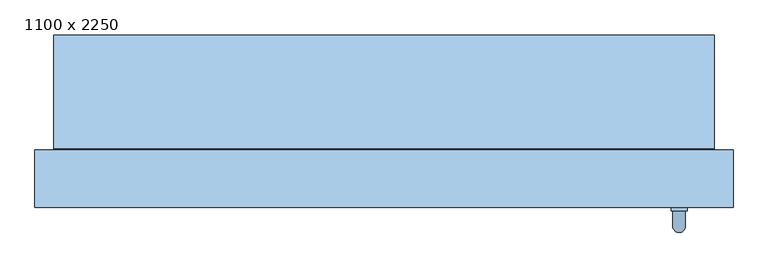
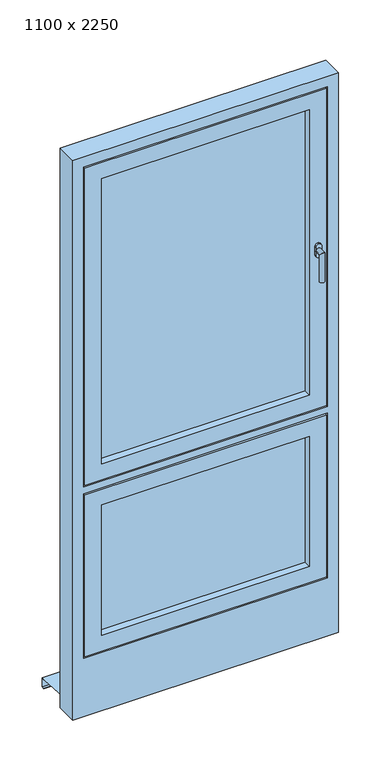
"""IFC4 building model written with IfcOpenShell, lengths in millimetres: window geometry, 1100 x 2250."""

from ifc_helpers import new_model, si_unit, frame, origin, place, context, project, spatial, polyline, circle_curve, ellipse_curve, outline, extrude, faceted_brep, source, transform, mapped, element, save
from ifc_brep_helpers import plane_surface, cylinder_surface, advanced_brep


def window_1100_x_2250_c4bfb064(model_context):
    return source(origin(), model_context, "Body", "SolidModel", [
        faceted_brep([(430.0, -50.0, 700.0), (430.0, 40.0, 700.0), (430.0, 40.0, 130.0), (430.0, -50.0, 130.0), (460.0, 40.0, 100.0), (-460.0, 40.0, 100.0), (-460.0, 40.0, 730.0), (460.0, 40.0, 730.0), (-430.0, 40.0, 700.0), (-430.0, 40.0, 130.0), (-430.0, -50.0, 130.0), (500.0, -50.0, 770.0), (-500.0, -50.0, 770.0), (-500.0, -50.0, 60.0), (500.0, -50.0, 60.0), (-430.0, -50.0, 700.0), (500.0, -35.0, 770.0), (500.0, -35.0, 60.0), (-500.0, -35.0, 60.0), (-500.0, -35.0, 770.0), (485.0, -35.0, 755.0), (-485.0, -35.0, 755.0), (-485.0, -35.0, 75.0), (485.0, -35.0, 75.0), (485.0, -5.0, 755.0), (485.0, -5.0, 75.0), (-485.0, -5.0, 75.0), (-485.0, -5.0, 755.0), (475.0, -5.0, 745.0), (-475.0, -5.0, 745.0), (-475.0, -5.0, 85.0), (475.0, -5.0, 85.0), (475.0, 25.0, 745.0), (475.0, 25.0, 85.0), (-475.0, 25.0, 85.0), (-475.0, 25.0, 745.0), (460.0, 25.0, 730.0), (-460.0, 25.0, 730.0), (-460.0, 25.0, 100.0), (460.0, 25.0, 100.0)], [[[0, 1, 2, 3]], [[4, 5, 6, 7], [1, 8, 9, 2]], [[3, 2, 9, 10]], [[11, 12, 13, 14], [3, 10, 15, 0]], [[16, 11, 14, 17]], [[17, 14, 13, 18]], [[17, 18, 19, 16], [20, 21, 22, 23]], [[24, 20, 23, 25]], [[25, 23, 22, 26]], [[25, 26, 27, 24], [28, 29, 30, 31]], [[32, 28, 31, 33]], [[33, 31, 30, 34]], [[33, 34, 35, 32], [36, 37, 38, 39]], [[7, 36, 39, 4]], [[4, 39, 38, 5]], [[10, 9, 8, 15]], [[18, 13, 12, 19]], [[26, 22, 21, 27]], [[34, 30, 29, 35]], [[5, 38, 37, 6]], [[15, 8, 1, 0]], [[19, 12, 11, 16]], [[27, 21, 20, 24]], [[35, 29, 28, 32]], [[6, 37, 36, 7]]]),
        extrude(outline(polyline([(430.0, 25.0), (430.0, -19.0), (-430.0, -19.0), (-430.0, 25.0), (430.0, 25.0)])), frame((0.0, 0.0, 130.0), z_axis=(0.0, 0.0, 1.0), x_axis=(1.0, 0.0, 0.0)), (0.0, 0.0, 1.0), 570.0),
        faceted_brep([(-520.0, 222.0, -189.3747566), (-520.0, 200.0, -187.9997566), (-520.0, 42.0, -178.1247566), (520.0, 42.0, -178.1247566), (520.0, 200.0, -187.9997566), (520.0, 222.0, -189.3747566), (-520.0, 222.0, -229.3747566), (520.0, 222.0, -229.3747566), (-520.0, 210.0, -229.3747566), (520.0, 210.0, -229.3747566), (-520.0, 210.0, -227.3747566), (520.0, 210.0, -227.3747566), (-520.0, 220.0, -227.3747566), (520.0, 220.0, -227.3747566), (-520.0, 220.0, -191.25), (520.0, 220.0, -191.25), (-520.0, 200.0, -190.0), (520.0, 200.0, -190.0), (520.0, 40.0, -180.0), (-520.0, 40.0, -180.0), (-520.0, 40.0, -160.0), (520.0, 40.0, -160.0), (-520.0, 42.0, -160.0), (520.0, 42.0, -160.0)], [[[0, 1, 2, 3, 4, 5]], [[6, 0, 5, 7]], [[8, 6, 7, 9]], [[10, 8, 9, 11]], [[12, 10, 11, 13]], [[14, 12, 13, 15]], [[16, 14, 15, 17, 18, 19]], [[20, 19, 18, 21]], [[22, 20, 21, 23]], [[2, 22, 23, 3]], [[16, 1, 0, 6, 8, 10, 12, 14]], [[17, 4, 3, 23, 21, 18]], [[1, 16, 19, 20, 22, 2]], [[4, 17, 15, 13, 11, 9, 7, 5]]]),
        advanced_brep(
        [(477.5, -50.0, 1522.5), (477.5, -50.0, 1505.0), (477.5, -50.0, 1487.5), (452.5, -50.0, 1487.5), (452.5, -50.0, 1505.0), (452.5, -50.0, 1522.5), (455.0, -80.0, 1505.0), (475.0, -80.0, 1505.0), (475.0, -56.0, 1505.0), (455.0, -56.0, 1505.0), (455.0, -80.0, 1385.0), (475.0, -80.0, 1385.0), (477.5, -56.0, 1522.5), (452.5, -56.0, 1522.5), (452.5, -56.0, 1505.0), (452.5, -56.0, 1487.5), (477.5, -56.0, 1487.5), (477.5, -56.0, 1505.0)],
        [
            (0, 1),
            (1, 2),
            (2, 3, circle_curve(frame((465.0, -50.0, 1487.5), z_axis=(0.0, 1.0, 0.0), x_axis=(1.0, 0.0, 0.0)), 12.5)),
            (3, 4),
            (4, 5),
            (5, 0, circle_curve(frame((465.0, -50.0, 1522.5), z_axis=(0.0, 1.0, 0.0), x_axis=(1.0, 0.0, 0.0)), 12.5)),
            (6, 7, ellipse_curve(frame((465.0, -80.0, 1505.0), z_axis=(0.0, 0.7071067811865498, 0.7071067811865451), x_axis=(0.0, 0.7071067811865452, -0.7071067811865497)), 14.1421356, 10.0)),
            (7, 8),
            (8, 9, circle_curve(frame((465.0, -56.0, 1505.0), z_axis=(0.0, -1.0, 0.0), x_axis=(1.0, 0.0, 0.0)), 10.0)),
            (9, 6),
            (7, 6, ellipse_curve(frame((465.0, -80.0, 1505.0), z_axis=(0.0, 0.7071067811865498, 0.7071067811865451), x_axis=(0.0, 0.7071067811865452, -0.7071067811865497)), 14.1421356, 10.0)),
            (9, 8, circle_curve(frame((465.0, -56.0, 1505.0), z_axis=(0.0, -1.0, 0.0), x_axis=(1.0, 0.0, 0.0)), 10.0)),
            (10, 11, circle_curve(frame((465.0, -80.0, 1385.0), z_axis=(0.0, 0.0, -1.0), x_axis=(1.0, 0.0, 0.0)), 10.0)),
            (11, 10, circle_curve(frame((465.0, -80.0, 1385.0), z_axis=(0.0, 0.0, -1.0), x_axis=(1.0, 0.0, 0.0)), 10.0)),
            (6, 10),
            (11, 7),
            (12, 13, circle_curve(frame((465.0, -56.0, 1522.5), z_axis=(0.0, -1.0, 0.0), x_axis=(1.0, 0.0, 0.0)), 12.5)),
            (13, 14),
            (14, 15),
            (15, 16, circle_curve(frame((465.0, -56.0, 1487.5), z_axis=(0.0, -1.0, 0.0), x_axis=(1.0, 0.0, 0.0)), 12.5)),
            (16, 17),
            (17, 12),
            (12, 0),
            (5, 13),
            (4, 14),
            (3, 15),
            (2, 16),
            (1, 17),
        ],
        [
            plane_surface(frame((465.0, -50.0, 1505.0), z_axis=(0.0, 1.0, 0.0), x_axis=(1.0, 0.0, 0.0))),
            cylinder_surface(frame((465.0, -50.0, 1505.0), z_axis=(0.0, 1.0, 0.0), x_axis=(1.0, 0.0, 0.0)), 10.0),
            plane_surface(frame((465.0, -80.0, 1385.0), z_axis=(0.0, 0.0, -1.0), x_axis=(1.0, 0.0, 0.0))),
            cylinder_surface(frame((465.0, -80.0, 1505.0), z_axis=(0.0, 0.0, 1.0), x_axis=(1.0, 0.0, 0.0)), 10.0),
            plane_surface(frame((477.5, -56.0, 1522.5), z_axis=(0.0, -1.0, 0.0), x_axis=(0.0, 0.0, 1.0))),
            cylinder_surface(frame((465.0, -50.0, 1522.5), z_axis=(0.0, -1.0, 0.0), x_axis=(1.0, 0.0, 0.0)), 12.5),
            plane_surface(frame((452.5, -56.0, 1522.5), z_axis=(-1.0, 0.0, 0.0), x_axis=(0.0, 1.0, 0.0))),
            plane_surface(frame((452.5, -56.0, 1505.0), z_axis=(-1.0, 0.0, 0.0), x_axis=(0.0, 1.0, 0.0))),
            cylinder_surface(frame((465.0, -50.0, 1487.5), z_axis=(0.0, -1.0, 0.0), x_axis=(1.0, 0.0, 0.0)), 12.5),
            plane_surface(frame((477.5, -56.0, 1487.5), z_axis=(1.0, 0.0, 0.0), x_axis=(0.0, 1.0, 0.0))),
            plane_surface(frame((477.5, -56.0, 1505.0), z_axis=(1.0, 0.0, 0.0), x_axis=(0.0, 1.0, 0.0))),
        ],
        [
            (0, [[1, 2, 3, 4, 5, 6]]),
            (1, [[7, 8, 9, 10]]),
            (1, [[11, -10, 12, -8]]),
            (2, [[13, 14]]),
            (3, [[-7, 15, -14, 16]]),
            (3, [[-11, -16, -13, -15]]),
            (4, [[17, 18, 19, 20, 21, 22], [-9, -12]]),
            (5, [[-17, 23, -6, 24]]),
            (6, [[-18, -24, -5, 25]]),
            (7, [[-19, -25, -4, 26]]),
            (8, [[-20, -26, -3, 27]]),
            (9, [[-21, -27, -2, 28]]),
            (10, [[-22, -28, -1, -23]]),
        ],
    ),
        faceted_brep([(430.0, -50.0, 2130.0), (430.0, 40.0, 2130.0), (430.0, 40.0, 880.0), (430.0, -50.0, 880.0), (460.0, 40.0, 850.0), (-460.0, 40.0, 850.0), (-460.0, 40.0, 2160.0), (460.0, 40.0, 2160.0), (-430.0, 40.0, 2130.0), (-430.0, 40.0, 880.0), (-430.0, -50.0, 880.0), (500.0, -50.0, 2200.0), (-500.0, -50.0, 2200.0), (-500.0, -50.0, 810.0), (500.0, -50.0, 810.0), (-430.0, -50.0, 2130.0), (500.0, -35.0, 2200.0), (500.0, -35.0, 810.0), (-500.0, -35.0, 810.0), (-500.0, -35.0, 2200.0), (485.0, -35.0, 2185.0), (-485.0, -35.0, 2185.0), (-485.0, -35.0, 825.0), (485.0, -35.0, 825.0), (485.0, -5.0, 2185.0), (485.0, -5.0, 825.0), (-485.0, -5.0, 825.0), (-485.0, -5.0, 2185.0), (475.0, -5.0, 2175.0), (-475.0, -5.0, 2175.0), (-475.0, -5.0, 835.0), (475.0, -5.0, 835.0), (475.0, 25.0, 2175.0), (475.0, 25.0, 835.0), (-475.0, 25.0, 835.0), (-475.0, 25.0, 2175.0), (460.0, 25.0, 2160.0), (-460.0, 25.0, 2160.0), (-460.0, 25.0, 850.0), (460.0, 25.0, 850.0)], [[[0, 1, 2, 3]], [[4, 5, 6, 7], [1, 8, 9, 2]], [[3, 2, 9, 10]], [[11, 12, 13, 14], [3, 10, 15, 0]], [[16, 11, 14, 17]], [[17, 14, 13, 18]], [[17, 18, 19, 16], [20, 21, 22, 23]], [[24, 20, 23, 25]], [[25, 23, 22, 26]], [[25, 26, 27, 24], [28, 29, 30, 31]], [[32, 28, 31, 33]], [[33, 31, 30, 34]], [[33, 34, 35, 32], [36, 37, 38, 39]], [[7, 36, 39, 4]], [[4, 39, 38, 5]], [[10, 9, 8, 15]], [[18, 13, 12, 19]], [[26, 22, 21, 27]], [[34, 30, 29, 35]], [[5, 38, 37, 6]], [[15, 8, 1, 0]], [[19, 12, 11, 16]], [[27, 21, 20, 24]], [[35, 29, 28, 32]], [[6, 37, 36, 7]]]),
        extrude(outline(polyline([(430.0, 25.0), (430.0, -19.0), (-430.0, -19.0), (-430.0, 25.0), (430.0, 25.0)])), frame((0.0, 0.0, 880.0), z_axis=(0.0, 0.0, 1.0), x_axis=(1.0, 0.0, 0.0)), (0.0, 0.0, 1.0), 1250.0),
        faceted_brep([(550.0, 40.0, -200.0), (550.0, -50.0, -200.0), (-550.0, -50.0, -200.0), (-550.0, 40.0, -200.0), (550.0, 40.0, 2250.0), (550.0, -50.0, 2250.0), (-550.0, -50.0, 2250.0), (505.0, -50.0, 2205.0), (505.0, -50.0, 805.0), (-505.0, -50.0, 805.0), (-505.0, -50.0, 2205.0), (505.0, -50.0, 775.0), (505.0, -50.0, 55.0), (-505.0, -50.0, 55.0), (-505.0, -50.0, 775.0), (-550.0, 40.0, 2250.0), (465.0, 40.0, 845.0), (465.0, 40.0, 2165.0), (-465.0, 40.0, 2165.0), (-465.0, 40.0, 845.0), (465.0, 40.0, 95.0), (465.0, 40.0, 735.0), (-465.0, 40.0, 735.0), (-465.0, 40.0, 95.0), (465.0, 25.0, 95.0), (465.0, 25.0, 735.0), (-465.0, 25.0, 735.0), (-465.0, 25.0, 95.0), (465.0, 25.0, 845.0), (465.0, 25.0, 2165.0), (-465.0, 25.0, 845.0), (-465.0, 25.0, 2165.0), (505.0, -35.0, 775.0), (505.0, -35.0, 55.0), (-505.0, -35.0, 55.0), (-505.0, -35.0, 775.0), (505.0, -35.0, 2205.0), (505.0, -35.0, 805.0), (-505.0, -35.0, 805.0), (-505.0, -35.0, 2205.0), (490.0, -35.0, 760.0), (490.0, -35.0, 70.0), (-490.0, -35.0, 70.0), (-490.0, -35.0, 760.0), (490.0, -5.0, 70.0), (490.0, -5.0, 760.0), (-490.0, -5.0, 760.0), (-490.0, -5.0, 70.0), (480.0, -5.0, 750.0), (480.0, -5.0, 80.0), (-480.0, -5.0, 80.0), (-480.0, -5.0, 750.0), (480.0, 25.0, 80.0), (480.0, 25.0, 750.0), (-480.0, 25.0, 750.0), (-480.0, 25.0, 80.0), (490.0, -35.0, 2190.0), (490.0, -35.0, 820.0), (-490.0, -35.0, 820.0), (-490.0, -35.0, 2190.0), (490.0, -5.0, 820.0), (490.0, -5.0, 2190.0), (-490.0, -5.0, 2190.0), (-490.0, -5.0, 820.0), (480.0, -5.0, 2180.0), (480.0, -5.0, 830.0), (-480.0, -5.0, 830.0), (-480.0, -5.0, 2180.0), (480.0, 25.0, 830.0), (480.0, 25.0, 2180.0), (-480.0, 25.0, 2180.0), (-480.0, 25.0, 830.0)], [[[0, 1, 2, 3]], [[4, 5, 1, 0]], [[5, 6, 2, 1], [7, 8, 9, 10], [11, 12, 13, 14]], [[6, 15, 3, 2]], [[15, 4, 0, 3], [16, 17, 18, 19], [20, 21, 22, 23]], [[20, 24, 25, 21]], [[21, 25, 26, 22]], [[27, 23, 22, 26]], [[24, 20, 23, 27]], [[16, 28, 29, 17]], [[30, 19, 18, 31]], [[28, 16, 19, 30]], [[32, 33, 12, 11]], [[12, 33, 34, 13]], [[13, 34, 35, 14]], [[32, 11, 14, 35]], [[36, 37, 8, 7]], [[8, 37, 38, 9]], [[9, 38, 39, 10]], [[33, 32, 35, 34], [40, 41, 42, 43]], [[44, 45, 46, 47], [48, 49, 50, 51]], [[45, 44, 41, 40]], [[41, 44, 47, 42]], [[45, 40, 43, 46]], [[52, 53, 54, 55], [25, 24, 27, 26]], [[53, 52, 49, 48]], [[49, 52, 55, 50]], [[53, 48, 51, 54]], [[42, 47, 46, 43]], [[50, 55, 54, 51]], [[37, 36, 39, 38], [56, 57, 58, 59]], [[60, 61, 62, 63], [64, 65, 66, 67]], [[61, 60, 57, 56]], [[57, 60, 63, 58]], [[68, 69, 70, 71], [29, 28, 30, 31]], [[69, 68, 65, 64]], [[65, 68, 71, 66]], [[58, 63, 62, 59]], [[66, 71, 70, 67]], [[4, 15, 6, 5]], [[36, 7, 10, 39]], [[61, 56, 59, 62]], [[69, 64, 67, 70]], [[17, 29, 31, 18]]]),
    ])


if __name__ == "__main__":
    model = new_model("IFC4")
    model_context = context("Model", 3, world=origin())
    ifc_project = project(units=[si_unit("LENGTHUNIT", "METRE", prefix="MILLI")], contexts=[model_context])
    site = spatial("IfcSite", under=ifc_project)
    building = spatial("IfcBuilding", under=site)
    placement = place(None, origin())
    window_1100_x_2250_shape = window_1100_x_2250_c4bfb064(model_context)
    element("IfcWindow", 1, ObjectType="1100 x 2250", at=placement, inside=building, context=model_context, shape_type="MappedRepresentation", body=[
        mapped(window_1100_x_2250_shape, transform((0.0, 0.0, 0.0), x_axis=(1.0, 0.0, 0.0), y_axis=(0.0, 1.0, 0.0), z_axis=(0.0, 0.0, 1.0))),
    ])
    save(model, "model.ifc")
